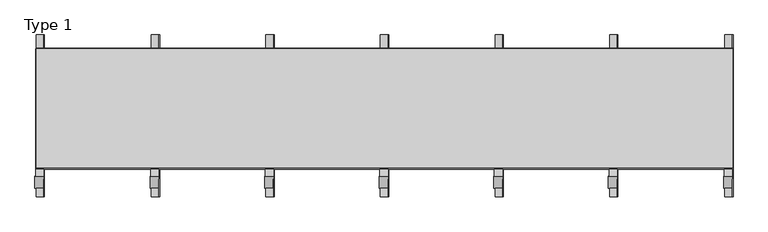
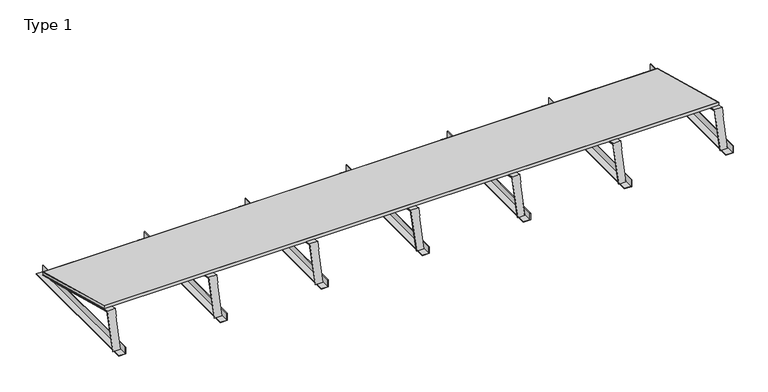
"""IFC4 building model written with IfcOpenShell, lengths in millimetres: proxy geometry, Type 1."""

from ifc_helpers import new_model, si_unit, frame, origin, place, context, project, spatial, polyline, outline, extrude, faceted_brep, source, transform, mapped, element, save


def type_1_ed1d7c1d(model_context):
    return source(origin(), model_context, "Body", "SolidModel", [
        extrude(outline(polyline([(3352.347282, 0.0), (3352.347282, -598.0), (0.0, -598.0), (0.0, 0.0), (3352.347282, 0.0)])), frame((1.0, 630.258245, 40.258819), z_axis=(0.0, 0.2588190451025206, 0.9659258262890684), x_axis=(1.0, 0.0, 0.0)), (0.0, 0.0, 1.0), 13.0),
        extrude(outline(polyline([(3354.347282, 0.0), (3354.347282, -600.0), (0.0, -600.0), (0.0, 0.0), (3354.347282, 0.0)]), holes=[polyline([(3353.347282, -1.0), (1.0, -1.0), (1.0, -599.0), (3353.347282, -599.0), (3353.347282, -1.0)])]), frame((0.0, 631.2241708, 40.0), z_axis=(0.0, 0.2588190451025206, 0.9659258262890684), x_axis=(1.0, 0.0, 0.0)), (0.0, 0.0, 1.0), 13.0),
        faceted_brep([(2245.7315213, 631.2241708, 40.0), (2245.7315213, 620.871409, 1.362967), (2242.7315213, 620.871409, 1.362967), (2242.7315213, 630.4477137, 37.1022225), (2205.7315213, 630.4477137, 37.1022225), (2205.7315213, 631.2241708, 40.0), (2205.7315213, 17.084814, 201.4523162), (2205.7315213, 17.8612711, 204.3500937), (2242.7315213, 52.8240695, 191.8760115), (2239.7315213, 52.8240695, 191.8760115), (2239.7315213, 17.084814, 201.4523162), (2242.7315213, 43.2477649, 156.1367559), (2245.7315213, 4.6107318, 166.4895177), (2242.7315213, 4.6107318, 166.4895177), (2245.7315213, 14.9634936, 205.1265508), (2202.7315213, 17.8612711, 204.3500937), (2202.7315213, 14.9634936, 205.1265508), (2202.7315213, -39.1961524, 3.0), (2242.7315213, -39.1961524, 3.0), (2202.7315213, -36.0903239, 3.0), (2239.7315213, -36.0903239, 3.0), (2239.7315213, 2.2148948, 3.0), (2242.7315213, 2.2148948, 3.0)], [[[0, 1, 2, 3, 4, 5]], [[5, 4, 6, 7]], [[4, 3, 8, 9, 10, 6]], [[3, 2, 11, 8]], [[12, 13, 11, 2, 1]], [[14, 12, 1, 0]], [[15, 16, 14, 0, 5, 7]], [[14, 16, 17, 18, 13, 12]], [[16, 15, 19, 17]], [[19, 15, 7, 6, 10, 20]], [[21, 20, 10, 9]], [[22, 21, 9, 8, 11]], [[18, 22, 11, 13]], [[18, 17, 19, 20, 21, 22]]]),
        extrude(outline(polyline([(0.0, 2248.7315213), (40.0, 2248.7315213), (40.0, 2245.7315213), (3.0, 2245.7315213), (3.0, 2208.7315213), (0.0, 2208.7315213), (0.0, 2248.7315213)])), frame((0.0, -82.0, 0.0), z_axis=(0.0, 1.0, 0.0), x_axis=(0.0, 0.0, 1.0)), (0.0, 0.0, 1.0), 780.0),
        faceted_brep([(1694.173641, 631.2241708, 40.0), (1694.173641, 620.871409, 1.362967), (1691.173641, 620.871409, 1.362967), (1691.173641, 630.4477137, 37.1022225), (1654.173641, 630.4477137, 37.1022225), (1654.173641, 631.2241708, 40.0), (1654.173641, 17.084814, 201.4523162), (1654.173641, 17.8612711, 204.3500937), (1691.173641, 52.8240695, 191.8760115), (1688.173641, 52.8240695, 191.8760115), (1688.173641, 17.084814, 201.4523162), (1691.173641, 43.2477649, 156.1367559), (1694.173641, 4.6107318, 166.4895177), (1691.173641, 4.6107318, 166.4895177), (1694.173641, 14.9634936, 205.1265508), (1651.173641, 17.8612711, 204.3500937), (1651.173641, 14.9634936, 205.1265508), (1651.173641, -39.1961524, 3.0), (1691.173641, -39.1961524, 3.0), (1651.173641, -36.0903239, 3.0), (1688.173641, -36.0903239, 3.0), (1688.173641, 2.2148948, 3.0), (1691.173641, 2.2148948, 3.0)], [[[0, 1, 2, 3, 4, 5]], [[5, 4, 6, 7]], [[4, 3, 8, 9, 10, 6]], [[3, 2, 11, 8]], [[12, 13, 11, 2, 1]], [[14, 12, 1, 0]], [[15, 16, 14, 0, 5, 7]], [[14, 16, 17, 18, 13, 12]], [[16, 15, 19, 17]], [[19, 15, 7, 6, 10, 20]], [[21, 20, 10, 9]], [[22, 21, 9, 8, 11]], [[18, 22, 11, 13]], [[18, 17, 19, 20, 21, 22]]]),
        extrude(outline(polyline([(0.0, 1697.173641), (40.0, 1697.173641), (40.0, 1694.173641), (3.0, 1694.173641), (3.0, 1657.173641), (0.0, 1657.173641), (0.0, 1697.173641)])), frame((0.0, -82.0, 0.0), z_axis=(0.0, 1.0, 0.0), x_axis=(0.0, 0.0, 1.0)), (0.0, 0.0, 1.0), 780.0),
        faceted_brep([(1142.6157607, 631.2241708, 40.0), (1142.6157607, 620.871409, 1.362967), (1139.6157607, 620.871409, 1.362967), (1139.6157607, 630.4477137, 37.1022225), (1102.6157607, 630.4477137, 37.1022225), (1102.6157607, 631.2241708, 40.0), (1102.6157607, 17.084814, 201.4523162), (1102.6157607, 17.8612711, 204.3500937), (1139.6157607, 52.8240695, 191.8760115), (1136.6157607, 52.8240695, 191.8760115), (1136.6157607, 17.084814, 201.4523162), (1139.6157607, 43.2477649, 156.1367559), (1142.6157607, 4.6107318, 166.4895177), (1139.6157607, 4.6107318, 166.4895177), (1142.6157607, 14.9634936, 205.1265508), (1099.6157607, 17.8612711, 204.3500937), (1099.6157607, 14.9634936, 205.1265508), (1099.6157607, -39.1961524, 3.0), (1139.6157607, -39.1961524, 3.0), (1099.6157607, -36.0903239, 3.0), (1136.6157607, -36.0903239, 3.0), (1136.6157607, 2.2148948, 3.0), (1139.6157607, 2.2148948, 3.0)], [[[0, 1, 2, 3, 4, 5]], [[5, 4, 6, 7]], [[4, 3, 8, 9, 10, 6]], [[3, 2, 11, 8]], [[12, 13, 11, 2, 1]], [[14, 12, 1, 0]], [[15, 16, 14, 0, 5, 7]], [[14, 16, 17, 18, 13, 12]], [[16, 15, 19, 17]], [[19, 15, 7, 6, 10, 20]], [[21, 20, 10, 9]], [[22, 21, 9, 8, 11]], [[18, 22, 11, 13]], [[18, 17, 19, 20, 21, 22]]]),
        extrude(outline(polyline([(0.0, 1145.6157607), (40.0, 1145.6157607), (40.0, 1142.6157607), (3.0, 1142.6157607), (3.0, 1105.6157607), (0.0, 1105.6157607), (0.0, 1145.6157607)])), frame((0.0, -82.0, 0.0), z_axis=(0.0, 1.0, 0.0), x_axis=(0.0, 0.0, 1.0)), (0.0, 0.0, 1.0), 780.0),
        faceted_brep([(2797.2894017, 631.2241708, 40.0), (2797.2894017, 620.871409, 1.362967), (2794.2894017, 620.871409, 1.362967), (2794.2894017, 630.4477137, 37.1022225), (2757.2894017, 630.4477137, 37.1022225), (2757.2894017, 631.2241708, 40.0), (2757.2894017, 17.084814, 201.4523162), (2757.2894017, 17.8612711, 204.3500937), (2794.2894017, 52.8240695, 191.8760115), (2791.2894017, 52.8240695, 191.8760115), (2791.2894017, 17.084814, 201.4523162), (2794.2894017, 43.2477649, 156.1367559), (2797.2894017, 4.6107318, 166.4895177), (2794.2894017, 4.6107318, 166.4895177), (2797.2894017, 14.9634936, 205.1265508), (2754.2894017, 17.8612711, 204.3500937), (2754.2894017, 14.9634936, 205.1265508), (2754.2894017, -39.1961524, 3.0), (2794.2894017, -39.1961524, 3.0), (2754.2894017, -36.0903239, 3.0), (2791.2894017, -36.0903239, 3.0), (2791.2894017, 2.2148948, 3.0), (2794.2894017, 2.2148948, 3.0)], [[[0, 1, 2, 3, 4, 5]], [[5, 4, 6, 7]], [[4, 3, 8, 9, 10, 6]], [[3, 2, 11, 8]], [[12, 13, 11, 2, 1]], [[14, 12, 1, 0]], [[15, 16, 14, 0, 5, 7]], [[14, 16, 17, 18, 13, 12]], [[16, 15, 19, 17]], [[19, 15, 7, 6, 10, 20]], [[21, 20, 10, 9]], [[22, 21, 9, 8, 11]], [[18, 22, 11, 13]], [[18, 17, 19, 20, 21, 22]]]),
        extrude(outline(polyline([(0.0, 2800.2894017), (40.0, 2800.2894017), (40.0, 2797.2894017), (3.0, 2797.2894017), (3.0, 2760.2894017), (0.0, 2760.2894017), (0.0, 2800.2894017)])), frame((0.0, -82.0, 0.0), z_axis=(0.0, 1.0, 0.0), x_axis=(0.0, 0.0, 1.0)), (0.0, 0.0, 1.0), 780.0),
        faceted_brep([(3351.347282, 631.2241708, 40.0), (3351.347282, 620.871409, 1.3629669), (3348.347282, 620.871409, 1.3629669), (3348.347282, 630.4477137, 37.1022225), (3311.347282, 630.4477137, 37.1022225), (3311.347282, 631.2241708, 40.0), (3311.347282, 17.084814, 201.4523162), (3311.347282, 17.8612711, 204.3500936), (3348.347282, 52.8240695, 191.8760115), (3345.347282, 52.8240695, 191.8760115), (3345.347282, 17.084814, 201.4523162), (3348.347282, 43.2477649, 156.1367559), (3351.347282, 4.6107318, 166.4895177), (3348.347282, 4.6107318, 166.4895177), (3351.347282, 14.9634936, 205.1265508), (3308.347282, 17.8612711, 204.3500936), (3308.347282, 14.9634936, 205.1265508), (3308.347282, -39.1961524, 3.0), (3348.347282, -39.1961524, 3.0), (3308.347282, -36.0903239, 3.0), (3345.347282, -36.0903239, 3.0), (3345.347282, 2.2148948, 3.0), (3348.347282, 2.2148948, 3.0)], [[[0, 1, 2, 3, 4, 5]], [[5, 4, 6, 7]], [[4, 3, 8, 9, 10, 6]], [[3, 2, 11, 8]], [[12, 13, 11, 2, 1]], [[14, 12, 1, 0]], [[15, 16, 14, 0, 5, 7]], [[14, 16, 17, 18, 13, 12]], [[16, 15, 19, 17]], [[19, 15, 7, 6, 10, 20]], [[21, 20, 10, 9]], [[22, 21, 9, 8, 11]], [[18, 22, 11, 13]], [[18, 17, 19, 20, 21, 22]]]),
        extrude(outline(polyline([(0.0, 3354.347282), (40.0, 3354.347282), (40.0, 3351.347282), (3.0, 3351.347282), (3.0, 3314.347282), (0.0, 3314.347282), (0.0, 3354.347282)])), frame((0.0, -82.0, 0.0), z_axis=(0.0, 1.0, 0.0), x_axis=(0.0, 0.0, 1.0)), (0.0, 0.0, 1.0), 780.0),
        faceted_brep([(37.0, 631.2241708, 40.0), (37.0, 620.871409, 1.3629669), (34.0, 620.871409, 1.3629669), (34.0, 630.4477137, 37.1022225), (-3.0, 630.4477137, 37.1022225), (-3.0, 631.2241708, 40.0), (-3.0, 17.084814, 201.4523162), (-3.0, 17.8612711, 204.3500936), (34.0, 52.8240695, 191.8760115), (31.0, 52.8240695, 191.8760115), (31.0, 17.084814, 201.4523162), (34.0, 43.2477649, 156.1367559), (37.0, 4.6107318, 166.4895177), (34.0, 4.6107318, 166.4895177), (37.0, 14.9634936, 205.1265508), (-6.0, 17.8612711, 204.3500936), (-6.0, 14.9634936, 205.1265508), (-6.0, -39.1961524, 3.0), (34.0, -39.1961524, 3.0), (-6.0, -36.0903239, 3.0), (31.0, -36.0903239, 3.0), (31.0, 2.2148948, 3.0), (34.0, 2.2148948, 3.0)], [[[0, 1, 2, 3, 4, 5]], [[5, 4, 6, 7]], [[4, 3, 8, 9, 10, 6]], [[3, 2, 11, 8]], [[12, 13, 11, 2, 1]], [[14, 12, 1, 0]], [[15, 16, 14, 0, 5, 7]], [[14, 16, 17, 18, 13, 12]], [[16, 15, 19, 17]], [[19, 15, 7, 6, 10, 20]], [[21, 20, 10, 9]], [[22, 21, 9, 8, 11]], [[18, 22, 11, 13]], [[18, 17, 19, 20, 21, 22]]]),
        extrude(outline(polyline([(0.0, 40.0), (40.0, 40.0), (40.0, 37.0), (3.0, 37.0), (3.0, 0.0), (0.0, 0.0), (0.0, 40.0)])), frame((0.0, -82.0, 0.0), z_axis=(0.0, 1.0, 0.0), x_axis=(0.0, 0.0, 1.0)), (0.0, 0.0, 1.0), 780.0),
        faceted_brep([(591.0578803, 631.2241708, 40.0), (591.0578803, 620.871409, 1.362967), (588.0578803, 620.871409, 1.362967), (588.0578803, 630.4477137, 37.1022225), (551.0578803, 630.4477137, 37.1022225), (551.0578803, 631.2241708, 40.0), (551.0578803, 17.084814, 201.4523162), (551.0578803, 17.8612711, 204.3500937), (588.0578803, 52.8240695, 191.8760115), (585.0578803, 52.8240695, 191.8760115), (585.0578803, 17.084814, 201.4523162), (588.0578803, 43.2477649, 156.1367559), (591.0578803, 4.6107318, 166.4895177), (588.0578803, 4.6107318, 166.4895177), (591.0578803, 14.9634936, 205.1265508), (548.0578803, 17.8612711, 204.3500937), (548.0578803, 14.9634936, 205.1265508), (548.0578803, -39.1961524, 3.0), (588.0578803, -39.1961524, 3.0), (548.0578803, -36.0903239, 3.0), (585.0578803, -36.0903239, 3.0), (585.0578803, 2.2148948, 3.0), (588.0578803, 2.2148948, 3.0)], [[[0, 1, 2, 3, 4, 5]], [[5, 4, 6, 7]], [[4, 3, 8, 9, 10, 6]], [[3, 2, 11, 8]], [[12, 13, 11, 2, 1]], [[14, 12, 1, 0]], [[15, 16, 14, 0, 5, 7]], [[14, 16, 17, 18, 13, 12]], [[16, 15, 19, 17]], [[19, 15, 7, 6, 10, 20]], [[21, 20, 10, 9]], [[22, 21, 9, 8, 11]], [[18, 22, 11, 13]], [[18, 17, 19, 20, 21, 22]]]),
        extrude(outline(polyline([(0.0, 594.0578803), (40.0, 594.0578803), (40.0, 591.0578803), (3.0, 591.0578803), (3.0, 554.0578803), (0.0, 554.0578803), (0.0, 594.0578803)])), frame((0.0, -82.0, 0.0), z_axis=(0.0, 1.0, 0.0), x_axis=(0.0, 0.0, 1.0)), (0.0, 0.0, 1.0), 780.0),
    ])


if __name__ == "__main__":
    model = new_model("IFC4")
    model_context = context("Model", 3, world=origin())
    ifc_project = project(units=[si_unit("LENGTHUNIT", "METRE", prefix="MILLI")], contexts=[model_context])
    site = spatial("IfcSite", under=ifc_project)
    building = spatial("IfcBuilding", under=site)
    placement = place(None, origin())
    type_1_shape = type_1_ed1d7c1d(model_context)
    element("IfcBuildingElementProxy", 1, Name="Type 1", ObjectType="Type 1", at=placement, inside=building, context=model_context, shape_type="MappedRepresentation", body=[
        mapped(type_1_shape, transform((0.0, 0.0, 0.0), x_axis=(1.0, 0.0, 0.0), y_axis=(0.0, 1.0, 0.0), z_axis=(0.0, 0.0, 1.0))),
    ])
    save(model, "model.ifc")
